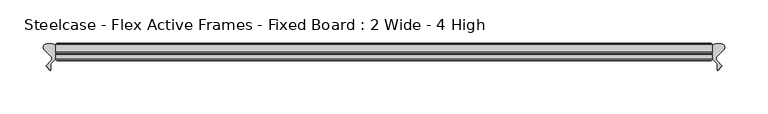
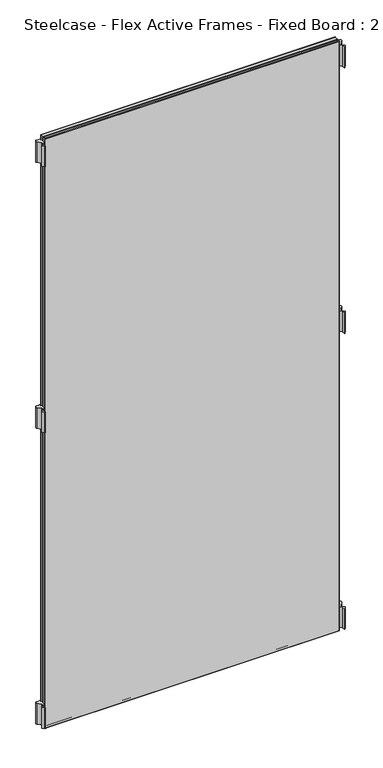
"""IFC4 building model written with IfcOpenShell, lengths in millimetres: furniture geometry, Steelcase - Flex Active Frames - Fixed Board : 2 Wide - 4 High."""

from ifc_helpers import new_model, si_unit, point, frame, frame_2d, origin, place, context, project, spatial, polyline, circle_curve, ellipse_curve, trimmed, segment, composite_curve, outline, extrude, source, transform, mapped, element, save
from ifc_brep_helpers import plane_surface, cylinder_surface, advanced_brep


def steelcase_flex_active_frames_fixed_board_2_wide_4_high_87dd2319(model_context):
    return source(origin(), model_context, "Body", "SolidModel", [
        extrude(outline(composite_curve([segment(polyline([(768.9118703, 12.5554375), (761.3755914, 5.0296817)]), True, "CONTINUOUS"), segment(trimmed(circle_curve(frame_2d((764.0677853, 2.3337233)), 3.81), [point((761.3755914, 5.0296817))], [point((761.3290632, -0.3149559))], True, "CARTESIAN"), True, "CONTINUOUS"), segment(polyline([(761.3290632, -0.3149559), (767.0660919, -6.2470172), (762.1123238, -11.2027231), (761.4063592, -10.299411), (761.4063592, -3.4250486), (755.904, 2.0686095), (755.904, 15.2513873)]), True, "CONTINUOUS"), segment(trimmed(circle_curve(frame_2d((759.714, 15.2513873)), 3.81), [point((755.904, 15.2513873))], [point((759.713995, 19.0613873))], False, "CARTESIAN"), True, "CONTINUOUS"), segment(polyline([(759.713995, 19.0613873), (766.2196713, 19.0613959)]), True, "CONTINUOUS"), segment(trimmed(circle_curve(frame_2d((766.2196763, 15.2513959)), 3.81), [point((766.2196713, 19.0613959))], [point((768.9118703, 12.5554375))], False, "CARTESIAN"), True, "CONTINUOUS")], self_intersect=False)), frame((0.0, 0.0, 811.4997887), z_axis=(0.0, 0.0, 1.0), x_axis=(1.0, 0.0, 0.0)), (0.0, 0.0, 1.0), 55.9983261),
        extrude(outline(composite_curve([segment(trimmed(circle_curve(frame_2d((-10.3156763, 15.2513959)), 3.81), [point((-13.0078703, 12.5554375))], [point((-10.3156713, 19.0613959))], False, "CARTESIAN"), True, "CONTINUOUS"), segment(polyline([(-10.3156713, 19.0613959), (-3.809995, 19.0613873)]), True, "CONTINUOUS"), segment(trimmed(circle_curve(frame_2d((-3.81, 15.2513873)), 3.81), [point((-3.809995, 19.0613873))], [point((0.0, 15.2513873))], False, "CARTESIAN"), True, "CONTINUOUS"), segment(polyline([(0.0, 15.2513873), (0.0, 2.0686095), (-5.5023592, -3.4250486), (-5.5023592, -10.299411), (-6.2083238, -11.2027231), (-11.1620919, -6.2470172), (-5.4250632, -0.3149559)]), True, "CONTINUOUS"), segment(trimmed(circle_curve(frame_2d((-8.1637853, 2.3337233)), 3.81), [point((-5.4250632, -0.3149559))], [point((-5.4715914, 5.0296817))], True, "CARTESIAN"), True, "CONTINUOUS"), segment(polyline([(-5.4715914, 5.0296817), (-13.0078703, 12.5554375)]), True, "CONTINUOUS")], self_intersect=False)), frame((0.0, 0.0, 811.4997887), z_axis=(0.0, 0.0, 1.0), x_axis=(1.0, 0.0, 0.0)), (0.0, 0.0, 1.0), 55.9983261),
        extrude(outline(composite_curve([segment(polyline([(768.9118703, 12.5554375), (761.3755914, 5.0296817)]), True, "CONTINUOUS"), segment(trimmed(circle_curve(frame_2d((764.0677853, 2.3337233)), 3.81), [point((761.3755914, 5.0296817))], [point((761.3290632, -0.3149559))], True, "CARTESIAN"), True, "CONTINUOUS"), segment(polyline([(761.3290632, -0.3149559), (767.0660919, -6.2470172), (762.1123238, -11.2027231), (761.4063592, -10.299411), (761.4063592, -3.4250486), (755.904, 2.0686095), (755.904, 15.2513873)]), True, "CONTINUOUS"), segment(trimmed(circle_curve(frame_2d((759.714, 15.2513873)), 3.81), [point((755.904, 15.2513873))], [point((759.713995, 19.0613873))], False, "CARTESIAN"), True, "CONTINUOUS"), segment(polyline([(759.713995, 19.0613873), (766.2196713, 19.0613959)]), True, "CONTINUOUS"), segment(trimmed(circle_curve(frame_2d((766.2196763, 15.2513959)), 3.81), [point((766.2196713, 19.0613959))], [point((768.9118703, 12.5554375))], False, "CARTESIAN"), True, "CONTINUOUS")], self_intersect=False)), frame((0.0, 0.0, 9.5000015), z_axis=(0.0, 0.0, 1.0), x_axis=(1.0, 0.0, 0.0)), (0.0, 0.0, 1.0), 55.9983261),
        extrude(outline(composite_curve([segment(polyline([(768.9118703, 12.5554375), (761.3755914, 5.0296817)]), True, "CONTINUOUS"), segment(trimmed(circle_curve(frame_2d((764.0677853, 2.3337233)), 3.81), [point((761.3755914, 5.0296817))], [point((761.3290632, -0.3149559))], True, "CARTESIAN"), True, "CONTINUOUS"), segment(polyline([(761.3290632, -0.3149559), (767.0660919, -6.2470172), (762.1123238, -11.2027231), (761.4063592, -10.299411), (761.4063592, -3.4250486), (755.904, 2.0686095), (755.904, 15.2513873)]), True, "CONTINUOUS"), segment(trimmed(circle_curve(frame_2d((759.714, 15.2513873)), 3.81), [point((755.904, 15.2513873))], [point((759.713995, 19.0613873))], False, "CARTESIAN"), True, "CONTINUOUS"), segment(polyline([(759.713995, 19.0613873), (766.2196713, 19.0613959)]), True, "CONTINUOUS"), segment(trimmed(circle_curve(frame_2d((766.2196763, 15.2513959)), 3.81), [point((766.2196713, 19.0613959))], [point((768.9118703, 12.5554375))], False, "CARTESIAN"), True, "CONTINUOUS")], self_intersect=False)), frame((0.0, 0.0, 1532.4476006), z_axis=(0.0, 0.0, 1.0), x_axis=(1.0, 0.0, 0.0)), (0.0, 0.0, 1.0), 55.9983261),
        extrude(outline(composite_curve([segment(trimmed(circle_curve(frame_2d((-10.3156763, 15.2513959)), 3.81), [point((-13.0078703, 12.5554375))], [point((-10.3156713, 19.0613959))], False, "CARTESIAN"), True, "CONTINUOUS"), segment(polyline([(-10.3156713, 19.0613959), (-3.809995, 19.0613873)]), True, "CONTINUOUS"), segment(trimmed(circle_curve(frame_2d((-3.81, 15.2513873)), 3.81), [point((-3.809995, 19.0613873))], [point((0.0, 15.2513873))], False, "CARTESIAN"), True, "CONTINUOUS"), segment(polyline([(0.0, 15.2513873), (0.0, 2.0686095), (-5.5023592, -3.4250486), (-5.5023592, -10.299411), (-6.2083238, -11.2027231), (-11.1620919, -6.2470172), (-5.4250632, -0.3149559)]), True, "CONTINUOUS"), segment(trimmed(circle_curve(frame_2d((-8.1637853, 2.3337233)), 3.81), [point((-5.4250632, -0.3149559))], [point((-5.4715914, 5.0296817))], True, "CARTESIAN"), True, "CONTINUOUS"), segment(polyline([(-5.4715914, 5.0296817), (-13.0078703, 12.5554375)]), True, "CONTINUOUS")], self_intersect=False)), frame((0.0, 0.0, 9.5000015), z_axis=(0.0, 0.0, 1.0), x_axis=(1.0, 0.0, 0.0)), (0.0, 0.0, 1.0), 55.9983261),
        extrude(outline(composite_curve([segment(trimmed(circle_curve(frame_2d((-10.3156763, 15.2513959)), 3.81), [point((-13.0078703, 12.5554375))], [point((-10.3156713, 19.0613959))], False, "CARTESIAN"), True, "CONTINUOUS"), segment(polyline([(-10.3156713, 19.0613959), (-3.809995, 19.0613873)]), True, "CONTINUOUS"), segment(trimmed(circle_curve(frame_2d((-3.81, 15.2513873)), 3.81), [point((-3.809995, 19.0613873))], [point((0.0, 15.2513873))], False, "CARTESIAN"), True, "CONTINUOUS"), segment(polyline([(0.0, 15.2513873), (0.0, 2.0686095), (-5.5023592, -3.4250486), (-5.5023592, -10.299411), (-6.2083238, -11.2027231), (-11.1620919, -6.2470172), (-5.4250632, -0.3149559)]), True, "CONTINUOUS"), segment(trimmed(circle_curve(frame_2d((-8.1637853, 2.3337233)), 3.81), [point((-5.4250632, -0.3149559))], [point((-5.4715914, 5.0296817))], True, "CARTESIAN"), True, "CONTINUOUS"), segment(polyline([(-5.4715914, 5.0296817), (-13.0078703, 12.5554375)]), True, "CONTINUOUS")], self_intersect=False)), frame((0.0, 0.0, 1532.4476006), z_axis=(0.0, 0.0, 1.0), x_axis=(1.0, 0.0, 0.0)), (0.0, 0.0, 1.0), 55.9983261),
        extrude(outline(polyline([(754.4039947, 19.7016999), (754.4039947, 8.0000171), (1.5000053, 8.0000171), (1.5000053, 19.7016999), (754.4039947, 19.7016999)])), frame((0.0, 0.0, 1.5000053), z_axis=(0.0, 0.0, 1.0), x_axis=(1.0, 0.0, 0.0)), (0.0, 0.0, 1.0), 1596.9459893),
        advanced_brep(
        [(0.0, 9.5000224, 1599.946), (0.0, 9.5000224, 0.0), (1.5000053, 8.0000171, 1.5000053), (1.5000053, 8.0000171, 1598.4459947), (0.0, 18.2016946, 1599.946), (0.0, 18.2016946, 0.0), (1.5000053, 19.7016999, 1.5000053), (1.5000053, 19.7016999, 1598.4459947), (755.904, 9.5000224, 0.0), (754.4039947, 8.0000171, 1.5000053), (755.904, 18.2016946, 0.0), (754.4039947, 19.7016999, 1.5000053), (755.904, 9.5000224, 1599.946), (754.4039947, 8.0000171, 1598.4459947), (755.904, 18.2016946, 1599.946), (754.4039947, 19.7016999, 1598.4459947)],
        [
            (0, 1),
            (1, 2, ellipse_curve(frame((1.5000053, 9.5000224, 1.5000053), z_axis=(-0.7071067811865475, 0.0, 0.7071067811865475), x_axis=(0.7071067811865474, 0.0, 0.7071067811865476)), 2.1213279, 1.5000053)),
            (2, 3),
            (3, 0, ellipse_curve(frame((1.5000053, 9.5000224, 1598.4459947), z_axis=(-0.7071067811865475, 0.0, -0.7071067811865475), x_axis=(-0.7071067811865474, 0.0, 0.7071067811865476)), 2.1213279, 1.5000053)),
            (4, 5),
            (5, 1),
            (0, 4),
            (2, 6),
            (6, 7),
            (7, 3),
            (1, 8),
            (8, 9, ellipse_curve(frame((754.4039947, 9.5000224, 1.5000053), z_axis=(-0.7071067811865475, 0.0, -0.7071067811865475), x_axis=(-0.7071067811865476, 0.0, 0.7071067811865474)), 2.1213279, 1.5000053)),
            (9, 2),
            (5, 10),
            (10, 8),
            (9, 11),
            (11, 6),
            (8, 12),
            (12, 13, ellipse_curve(frame((754.4039947, 9.5000224, 1598.4459947), z_axis=(0.7071067811865475, 0.0, -0.7071067811865475), x_axis=(-0.7071067811865474, 0.0, -0.7071067811865476)), 2.1213279, 1.5000053)),
            (13, 9),
            (10, 14),
            (14, 12),
            (13, 15),
            (15, 11),
            (12, 0),
            (3, 13),
            (14, 4),
            (7, 15),
            (6, 5, ellipse_curve(frame((1.5000053, 18.2016946, 1.5000053), z_axis=(-0.7071067811865475, 0.0, 0.7071067811865475), x_axis=(0.7071067811865474, 0.0, 0.7071067811865476)), 2.1213279, 1.5000053)),
            (4, 7, ellipse_curve(frame((1.5000053, 18.2016946, 1598.4459947), z_axis=(-0.7071067811865475, 0.0, -0.7071067811865475), x_axis=(-0.7071067811865474, 0.0, 0.7071067811865476)), 2.1213279, 1.5000053)),
            (11, 10, ellipse_curve(frame((754.4039947, 18.2016946, 1.5000053), z_axis=(-0.7071067811865475, 0.0, -0.7071067811865475), x_axis=(-0.7071067811865476, 0.0, 0.7071067811865474)), 2.1213279, 1.5000053)),
            (15, 14, ellipse_curve(frame((754.4039947, 18.2016946, 1598.4459947), z_axis=(0.7071067811865475, 0.0, -0.7071067811865475), x_axis=(-0.7071067811865474, 0.0, -0.7071067811865476)), 2.1213279, 1.5000053)),
        ],
        [
            cylinder_surface(frame((1.5000053, 9.5000224, 1599.946), z_axis=(0.0, 0.0, 1.0), x_axis=(1.0, 0.0, 0.0)), 1.5000053),
            plane_surface(frame((0.0, 9.5000224, 1599.946), z_axis=(-1.0, 0.0, 0.0), x_axis=(0.0, 0.0, -1.0))),
            plane_surface(frame((1.5000053, 19.7016999, 1598.4459947), z_axis=(1.0, 0.0, 0.0), x_axis=(0.0, 0.0, -1.0))),
            cylinder_surface(frame((0.0, 9.5000224, 1.5000053), z_axis=(-1.0, 0.0, 0.0), x_axis=(0.0, 0.0, 1.0)), 1.5000053),
            plane_surface(frame((0.0, 9.5000224, 0.0), z_axis=(0.0, 0.0, -1.0), x_axis=(1.0, 0.0, 0.0))),
            plane_surface(frame((1.5000053, 19.7016999, 1.5000053), z_axis=(0.0, 0.0, 1.0), x_axis=(1.0, 0.0, 0.0))),
            cylinder_surface(frame((754.4039947, 9.5000224, 0.0), z_axis=(0.0, 0.0, -1.0), x_axis=(-1.0, 0.0, 0.0)), 1.5000053),
            plane_surface(frame((755.904, 9.5000224, 0.0), z_axis=(1.0, 0.0, 0.0), x_axis=(0.0, 0.0, 1.0))),
            plane_surface(frame((754.4039947, 19.7016999, 1.5000053), z_axis=(-1.0, 0.0, 0.0), x_axis=(0.0, 0.0, 1.0))),
            cylinder_surface(frame((755.904, 9.5000224, 1598.4459947), z_axis=(1.0, 0.0, 0.0), x_axis=(0.0, 0.0, -1.0)), 1.5000053),
            plane_surface(frame((755.904, 9.5000224, 1599.946), z_axis=(0.0, 0.0, 1.0), x_axis=(-1.0, 0.0, 0.0))),
            plane_surface(frame((754.4039947, 19.7016999, 1598.4459947), z_axis=(0.0, 0.0, -1.0), x_axis=(-1.0, 0.0, 0.0))),
            cylinder_surface(frame((1.5000053, 18.2016946, 1599.946), z_axis=(0.0, 0.0, 1.0), x_axis=(1.0, 0.0, 0.0)), 1.5000053),
            cylinder_surface(frame((0.0, 18.2016946, 1.5000053), z_axis=(-1.0, 0.0, 0.0), x_axis=(0.0, 0.0, 1.0)), 1.5000053),
            cylinder_surface(frame((754.4039947, 18.2016946, 0.0), z_axis=(0.0, 0.0, -1.0), x_axis=(-1.0, 0.0, 0.0)), 1.5000053),
            cylinder_surface(frame((755.904, 18.2016946, 1598.4459947), z_axis=(1.0, 0.0, 0.0), x_axis=(0.0, 0.0, -1.0)), 1.5000053),
        ],
        [
            (0, [[1, 2, 3, 4]]),
            (1, [[5, 6, -1, 7]]),
            (2, [[-3, 8, 9, 10]]),
            (3, [[11, 12, 13, -2]]),
            (4, [[14, 15, -11, -6]]),
            (5, [[-13, 16, 17, -8]]),
            (6, [[18, 19, 20, -12]]),
            (7, [[21, 22, -18, -15]]),
            (8, [[-20, 23, 24, -16]]),
            (9, [[25, -4, 26, -19]]),
            (10, [[27, -7, -25, -22]]),
            (11, [[-26, -10, 28, -23]]),
            (12, [[-9, 29, -5, 30]]),
            (13, [[-17, 31, -14, -29]]),
            (14, [[-24, 32, -21, -31]]),
            (15, [[-28, -30, -27, -32]]),
        ],
    ),
        extrude(outline(polyline([(754.4039947, 8.0000171), (754.4039947, 0.0), (1.5000053, 0.0), (1.5000053, 8.0000171), (754.4039947, 8.0000171)])), frame((0.0, 0.0, 1.5000053), z_axis=(0.0, 0.0, 1.0), x_axis=(1.0, 0.0, 0.0)), (0.0, 0.0, 1.0), 1596.9459893),
        advanced_brep(
        [(0.0, 1.5000053, 1599.946), (0.0, 1.5000053, 0.0), (1.5000053, 0.0, 1.5000053), (1.5000053, 0.0, 1598.4459947), (0.0, 6.5000117, 1599.946), (0.0, 6.5000117, 0.0), (1.5000053, 8.0000171, 1598.4459947), (1.5000053, 8.0000171, 1.5000053), (755.904, 1.5000053, 0.0), (754.4039947, 0.0, 1.5000053), (755.904, 6.5000117, 0.0), (754.4039947, 8.0000171, 1.5000053), (755.904, 1.5000053, 1599.946), (754.4039947, 0.0, 1598.4459947), (755.904, 6.5000117, 1599.946), (754.4039947, 8.0000171, 1598.4459947)],
        [
            (0, 1),
            (1, 2, ellipse_curve(frame((1.5000053, 1.5000053, 1.5000053), z_axis=(-0.7071067811865475, 0.0, 0.7071067811865475), x_axis=(0.7071067811865474, 0.0, 0.7071067811865476)), 2.1213279, 1.5000053)),
            (2, 3),
            (3, 0, ellipse_curve(frame((1.5000053, 1.5000053, 1598.4459947), z_axis=(-0.7071067811865475, 0.0, -0.7071067811865475), x_axis=(-0.7071067811865474, 0.0, 0.7071067811865476)), 2.1213279, 1.5000053)),
            (4, 5),
            (5, 1),
            (0, 4),
            (6, 7),
            (7, 5, ellipse_curve(frame((1.5000053, 6.5000117, 1.5000053), z_axis=(-0.7071067811865475, 0.0, 0.7071067811865475), x_axis=(0.7071067811865474, 0.0, 0.7071067811865476)), 2.1213279, 1.5000053)),
            (4, 6, ellipse_curve(frame((1.5000053, 6.5000117, 1598.4459947), z_axis=(-0.7071067811865475, 0.0, -0.7071067811865475), x_axis=(-0.7071067811865474, 0.0, 0.7071067811865476)), 2.1213279, 1.5000053)),
            (2, 7),
            (6, 3),
            (1, 8),
            (8, 9, ellipse_curve(frame((754.4039947, 1.5000053, 1.5000053), z_axis=(-0.7071067811865475, 0.0, -0.7071067811865475), x_axis=(-0.7071067811865476, 0.0, 0.7071067811865474)), 2.1213279, 1.5000053)),
            (9, 2),
            (5, 10),
            (10, 8),
            (7, 11),
            (11, 10, ellipse_curve(frame((754.4039947, 6.5000117, 1.5000053), z_axis=(-0.7071067811865475, 0.0, -0.7071067811865475), x_axis=(-0.7071067811865476, 0.0, 0.7071067811865474)), 2.1213279, 1.5000053)),
            (9, 11),
            (8, 12),
            (12, 13, ellipse_curve(frame((754.4039947, 1.5000053, 1598.4459947), z_axis=(0.7071067811865475, 0.0, -0.7071067811865475), x_axis=(-0.7071067811865474, 0.0, -0.7071067811865476)), 2.1213279, 1.5000053)),
            (13, 9),
            (10, 14),
            (14, 12),
            (11, 15),
            (15, 14, ellipse_curve(frame((754.4039947, 6.5000117, 1598.4459947), z_axis=(0.7071067811865475, 0.0, -0.7071067811865475), x_axis=(-0.7071067811865474, 0.0, -0.7071067811865476)), 2.1213279, 1.5000053)),
            (13, 15),
            (12, 0),
            (3, 13),
            (14, 4),
            (15, 6),
        ],
        [
            cylinder_surface(frame((1.5000053, 1.5000053, 1599.946), z_axis=(0.0, 0.0, 1.0), x_axis=(1.0, 0.0, 0.0)), 1.5000053),
            plane_surface(frame((0.0, 1.5000053, 1599.946), z_axis=(-1.0, 0.0, 0.0), x_axis=(0.0, 0.0, -1.0))),
            cylinder_surface(frame((1.5000053, 6.5000117, 1599.946), z_axis=(0.0, 0.0, 1.0), x_axis=(1.0, 0.0, 0.0)), 1.5000053),
            plane_surface(frame((1.5000053, 8.0000171, 1598.4459947), z_axis=(1.0, 0.0, 0.0), x_axis=(0.0, 0.0, -1.0))),
            cylinder_surface(frame((0.0, 1.5000053, 1.5000053), z_axis=(-1.0, 0.0, 0.0), x_axis=(0.0, 0.0, 1.0)), 1.5000053),
            plane_surface(frame((0.0, 1.5000053, 0.0), z_axis=(0.0, 0.0, -1.0), x_axis=(1.0, 0.0, 0.0))),
            cylinder_surface(frame((0.0, 6.5000117, 1.5000053), z_axis=(-1.0, 0.0, 0.0), x_axis=(0.0, 0.0, 1.0)), 1.5000053),
            plane_surface(frame((1.5000053, 8.0000171, 1.5000053), z_axis=(0.0, 0.0, 1.0), x_axis=(1.0, 0.0, 0.0))),
            cylinder_surface(frame((754.4039947, 1.5000053, 0.0), z_axis=(0.0, 0.0, -1.0), x_axis=(-1.0, 0.0, 0.0)), 1.5000053),
            plane_surface(frame((755.904, 1.5000053, 0.0), z_axis=(1.0, 0.0, 0.0), x_axis=(0.0, 0.0, 1.0))),
            cylinder_surface(frame((754.4039947, 6.5000117, 0.0), z_axis=(0.0, 0.0, -1.0), x_axis=(-1.0, 0.0, 0.0)), 1.5000053),
            plane_surface(frame((754.4039947, 8.0000171, 1.5000053), z_axis=(-1.0, 0.0, 0.0), x_axis=(0.0, 0.0, 1.0))),
            cylinder_surface(frame((755.904, 1.5000053, 1598.4459947), z_axis=(1.0, 0.0, 0.0), x_axis=(0.0, 0.0, -1.0)), 1.5000053),
            plane_surface(frame((755.904, 1.5000053, 1599.946), z_axis=(0.0, 0.0, 1.0), x_axis=(-1.0, 0.0, 0.0))),
            cylinder_surface(frame((755.904, 6.5000117, 1598.4459947), z_axis=(1.0, 0.0, 0.0), x_axis=(0.0, 0.0, -1.0)), 1.5000053),
            plane_surface(frame((754.4039947, 8.0000171, 1598.4459947), z_axis=(0.0, 0.0, -1.0), x_axis=(-1.0, 0.0, 0.0))),
        ],
        [
            (0, [[1, 2, 3, 4]]),
            (1, [[5, 6, -1, 7]]),
            (2, [[8, 9, -5, 10]]),
            (3, [[-3, 11, -8, 12]]),
            (4, [[13, 14, 15, -2]]),
            (5, [[16, 17, -13, -6]]),
            (6, [[18, 19, -16, -9]]),
            (7, [[-15, 20, -18, -11]]),
            (8, [[21, 22, 23, -14]]),
            (9, [[24, 25, -21, -17]]),
            (10, [[26, 27, -24, -19]]),
            (11, [[-23, 28, -26, -20]]),
            (12, [[29, -4, 30, -22]]),
            (13, [[31, -7, -29, -25]]),
            (14, [[32, -10, -31, -27]]),
            (15, [[-30, -12, -32, -28]]),
        ],
    ),
    ])


if __name__ == "__main__":
    model = new_model("IFC4")
    model_context = context("Model", 3, world=origin())
    ifc_project = project(units=[si_unit("LENGTHUNIT", "METRE", prefix="MILLI")], contexts=[model_context])
    site = spatial("IfcSite", under=ifc_project)
    building = spatial("IfcBuilding", under=site)
    placement = place(None, origin())
    steelcase_flex_active_frames_fixed_board_2_wide_4_high_shape = steelcase_flex_active_frames_fixed_board_2_wide_4_high_87dd2319(model_context)
    element("IfcFurniture", 1, ObjectType="Steelcase - Flex Active Frames - Fixed Board : 2 Wide - 4 High", at=placement, inside=building, context=model_context, shape_type="MappedRepresentation", body=[
        mapped(steelcase_flex_active_frames_fixed_board_2_wide_4_high_shape, transform((0.0, 0.0, 0.0), x_axis=(1.0, 0.0, 0.0), y_axis=(0.0, 1.0, 0.0), z_axis=(0.0, 0.0, 1.0))),
    ])
    save(model, "model.ifc")
